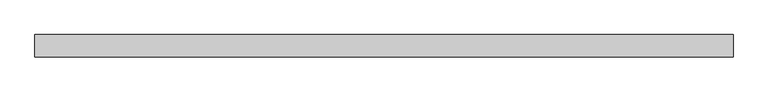
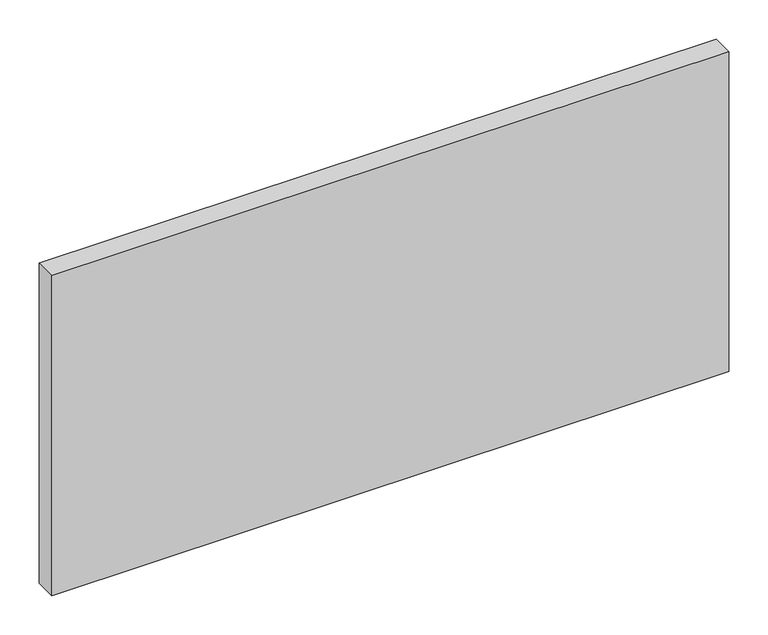
"""IFC4 building model written with IfcOpenShell, lengths in millimetres: plate geometry."""

from ifc_helpers import new_model, si_unit, origin, origin_with_axes, place, context, project, spatial, polyline, outline, extrude, source, transform, mapped, element, save


def plate_c5f578fe(model_context):
    return source(origin(), model_context, "Body", "SweptSolid", [
        extrude(outline(polyline([(499.9999998, -32.0), (-499.9999998, -32.0), (-499.9999998, 0.0), (499.9999998, 0.0), (499.9999998, -32.0)])), origin_with_axes(), (0.0, 0.0, 1.0), 500.0),
    ])


if __name__ == "__main__":
    model = new_model("IFC4")
    model_context = context("Model", 3, world=origin())
    ifc_project = project(units=[si_unit("LENGTHUNIT", "METRE", prefix="MILLI")], contexts=[model_context])
    site = spatial("IfcSite", under=ifc_project)
    building = spatial("IfcBuilding", under=site)
    placement = place(None, origin())
    plate_shape = plate_c5f578fe(model_context)
    element("IfcPlate", 1, at=placement, inside=building, context=model_context, shape_type="MappedRepresentation", body=[
        mapped(plate_shape, transform((0.0, 0.0, 0.0), x_axis=(1.0, 0.0, 0.0), y_axis=(0.0, 1.0, 0.0), z_axis=(0.0, 0.0, 1.0))),
    ])
    save(model, "model.ifc")
